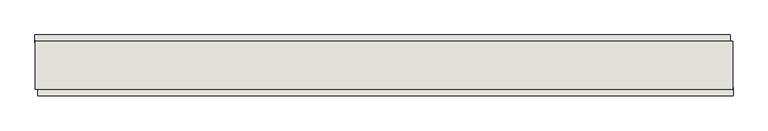
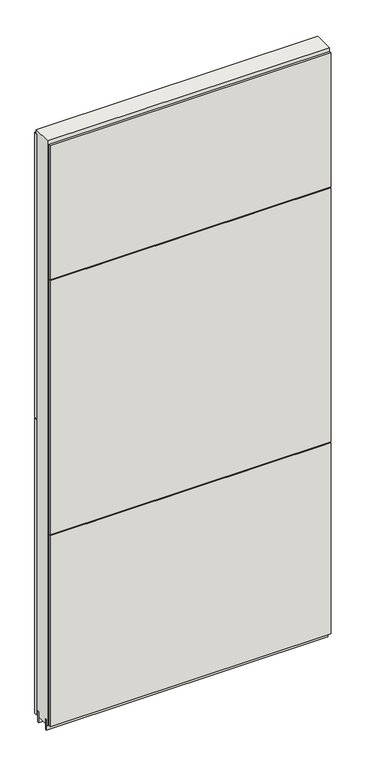
"""IFC4 building model written with IfcOpenShell, lengths in millimetres: wall geometry."""

from ifc_helpers import new_model, si_unit, frame, origin, place, context, project, spatial, polyline, outline, extrude, source, transform, mapped, element, save


def wall_418bf646(model_context):
    return source(origin(), model_context, "Body", "SweptSolid", [
        extrude(outline(polyline([(79255.7130148, -50694.5323166), (79253.1730148, -50694.5323166), (79253.1730148, -50691.9923166), (79255.7130148, -50691.9923166), (79255.7130148, -50694.5323166)])), frame((0.0, 0.0, 4419.6), z_axis=(0.0, 0.0, 1.0), x_axis=(1.0, 0.0, 0.0)), (0.0, 0.0, 1.0), 2.54),
        extrude(outline(polyline([(78086.8585834, -50642.3631042), (79251.2585914, -50642.3631042), (79251.2585914, -50655.0631042), (78086.8585834, -50655.0631042), (78086.8585834, -50642.3631042)])), frame((0.0, 0.0, 5742.4000722), z_axis=(0.0, 0.0, 1.0), x_axis=(1.0, 0.0, 0.0)), (0.0, 0.0, 1.0), 1247.649905),
        extrude(outline(polyline([(78086.8585834, -50642.3631042), (79251.2585914, -50642.3631042), (79251.2585914, -50655.0631042), (78086.8585834, -50655.0631042), (78086.8585834, -50642.3631042)])), frame((0.0, 0.0, 4445.0), z_axis=(0.0, 0.0, 1.0), x_axis=(1.0, 0.0, 0.0)), (0.0, 0.0, 1.0), 1293.400004),
        extrude(outline(polyline([(79256.1699354, -50743.9631042), (78091.7699274, -50743.9631042), (78091.7699274, -50731.2631042), (79256.1699354, -50731.2631042), (79256.1699354, -50743.9631042)])), frame((0.0, 0.0, 6402.8000722), z_axis=(0.0, 0.0, 1.0), x_axis=(1.0, 0.0, 0.0)), (0.0, 0.0, 1.0), 587.2498034),
        extrude(outline(polyline([(79256.1699354, -50743.9631042), (78091.7699274, -50743.9631042), (78091.7699274, -50731.2631042), (79256.1699354, -50731.2631042), (79256.1699354, -50743.9631042)])), frame((0.0, 0.0, 5285.2000722), z_axis=(0.0, 0.0, 1.0), x_axis=(1.0, 0.0, 0.0)), (0.0, 0.0, 1.0), 1113.5999572),
        extrude(outline(polyline([(79256.1699354, -50743.9631042), (78091.7699274, -50743.9631042), (78091.7699274, -50731.2631042), (79256.1699354, -50731.2631042), (79256.1699354, -50743.9631042)])), frame((0.0, 0.0, 4445.0), z_axis=(0.0, 0.0, 1.0), x_axis=(1.0, 0.0, 0.0)), (0.0, 0.0, 1.0), 836.200004),
        extrude(outline(polyline([(79255.720457, -50668.1754986), (78087.320457, -50667.9708508), (78087.320457, -50662.8920954), (79255.720457, -50663.093619), (79255.720457, -50668.1754986)])), frame((0.0, 0.0, 4418.6602), z_axis=(0.0, 0.0, 1.0), x_axis=(1.0, 0.0, 0.0)), (0.0, 0.0, 1.0), 47.625),
        extrude(outline(polyline([(79255.720457, -50668.1754986), (78087.320457, -50667.9708508), (78087.320457, -50662.8920954), (79255.720457, -50663.093619), (79255.720457, -50668.1754986)])), frame((0.0, 0.0, 4418.6602), z_axis=(0.0, 0.0, 1.0), x_axis=(1.0, 0.0, 0.0)), (0.0, 0.0, 1.0), 47.625),
        extrude(outline(polyline([(78087.2956666, -50718.1352412), (79255.6956666, -50718.3398636), (79255.6956666, -50723.418619), (78087.2956666, -50723.2170954), (78087.2956666, -50718.1352412)])), frame((0.0, 0.0, 4418.6602), z_axis=(0.0, 0.0, 1.0), x_axis=(1.0, 0.0, 0.0)), (0.0, 0.0, 1.0), 47.625),
        extrude(outline(polyline([(78087.2956666, -50718.1352412), (79255.6956666, -50718.3398636), (79255.6956666, -50723.418619), (78087.2956666, -50723.2170954), (78087.2956666, -50718.1352412)])), frame((0.0, 0.0, 4418.6602), z_axis=(0.0, 0.0, 1.0), x_axis=(1.0, 0.0, 0.0)), (0.0, 0.0, 1.0), 47.625),
        extrude(outline(polyline([(79255.720457, -50652.6291492), (79255.6956666, -50733.9079046), (78087.2956666, -50733.706381), (78087.320457, -50652.4245014), (79255.720457, -50652.6291492)])), frame((0.0, 0.0, 4445.0), z_axis=(0.0, 0.0, 1.0), x_axis=(1.0, 0.0, 0.0)), (0.0, 0.0, 1.0), 2562.4536762),
    ])


if __name__ == "__main__":
    model = new_model("IFC4")
    model_context = context("Model", 3, world=origin())
    ifc_project = project(units=[si_unit("LENGTHUNIT", "METRE", prefix="MILLI")], contexts=[model_context])
    site = spatial("IfcSite", under=ifc_project)
    building = spatial("IfcBuilding", under=site)
    placement = place(None, origin())
    wall_shape = wall_418bf646(model_context)
    element("IfcWall", 1, at=placement, inside=building, context=model_context, shape_type="MappedRepresentation", body=[
        mapped(wall_shape, transform((0.0, 0.0, 0.0), x_axis=(1.0, 0.0, 0.0), y_axis=(0.0, 1.0, 0.0), z_axis=(0.0, 0.0, 1.0))),
    ])
    save(model, "model.ifc")
